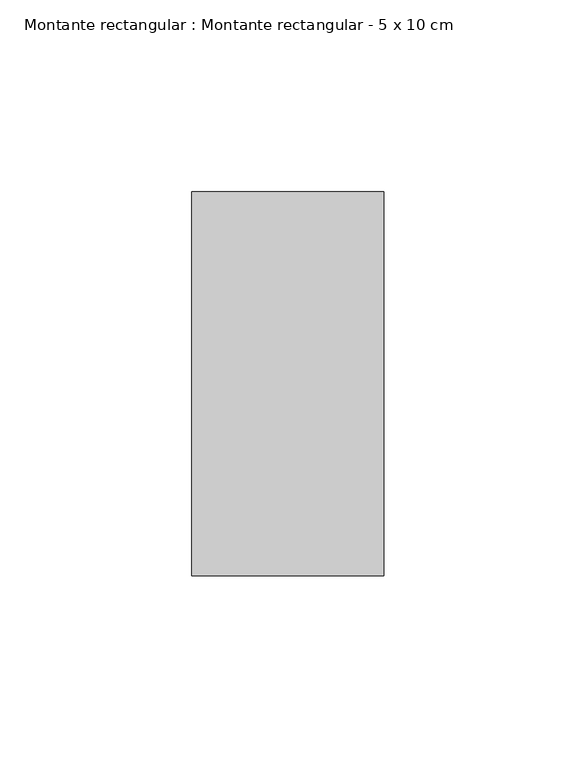
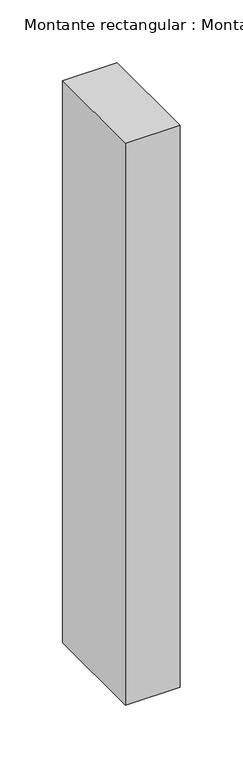
"""IFC4 building model written with IfcOpenShell, lengths in millimetres: member geometry, Montante rectangular : Montante rectangular - 5 x 10 cm."""

from ifc_helpers import new_model, si_unit, frame, origin, place, context, project, spatial, polyline, outline, extrude, source, transform, mapped, element, save


def montante_rectangular_montante_rectangular_5_x_10_cm_cf7a6fcf(model_context):
    return source(origin(), model_context, "Body", "SweptSolid", [
        extrude(outline(polyline([(0.0, 50.0), (0.0, -50.0), (-50.0, -50.0), (-50.0, 50.0), (0.0, 50.0)])), frame((0.0, 0.0, -545.0), z_axis=(0.0, 0.0, 1.0), x_axis=(1.0, 0.0, 0.0)), (0.0, 0.0, 1.0), 545.0),
    ])


if __name__ == "__main__":
    model = new_model("IFC4")
    model_context = context("Model", 3, world=origin())
    ifc_project = project(units=[si_unit("LENGTHUNIT", "METRE", prefix="MILLI")], contexts=[model_context])
    site = spatial("IfcSite", under=ifc_project)
    building = spatial("IfcBuilding", under=site)
    placement = place(None, origin())
    montante_rectangular_montante_rectangular_5_x_10_cm_shape = montante_rectangular_montante_rectangular_5_x_10_cm_cf7a6fcf(model_context)
    element("IfcMember", 1, ObjectType="Montante rectangular : Montante rectangular - 5 x 10 cm", at=placement, inside=building, context=model_context, shape_type="MappedRepresentation", body=[
        mapped(montante_rectangular_montante_rectangular_5_x_10_cm_shape, transform((0.0, 0.0, 0.0), x_axis=(1.0, 0.0, 0.0), y_axis=(0.0, 1.0, 0.0), z_axis=(0.0, 0.0, 1.0))),
    ])
    save(model, "model.ifc")
